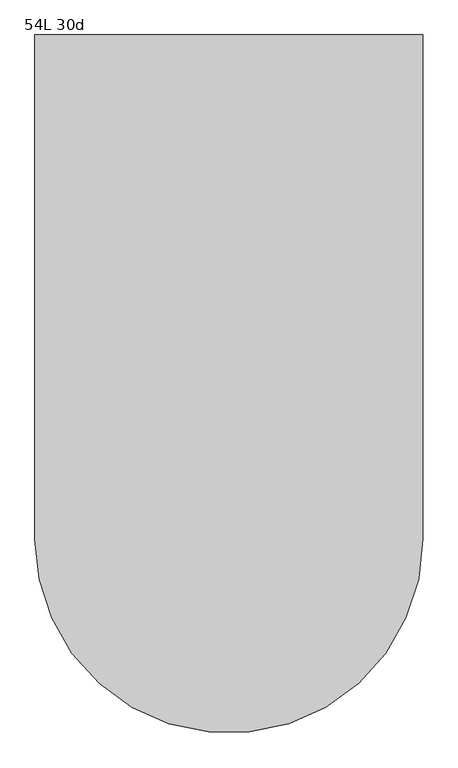
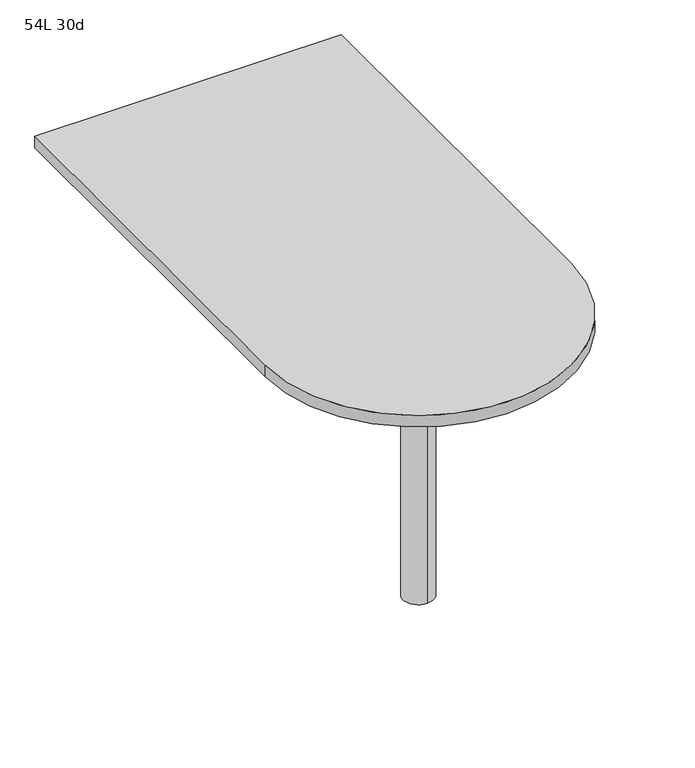
"""IFC4 building model written with IfcOpenShell, lengths in millimetres: furniture geometry, 54L 30d."""

from ifc_helpers import new_model, si_unit, point, frame, frame_2d, origin, place, context, project, spatial, polyline, circle_curve, trimmed, segment, composite_curve, outline, extrude, source, transform, mapped, element, save
from ifc_brep_helpers import plane_surface, cylinder_surface, advanced_brep


def furniture_54l_30d_69ec280b(model_context):
    return source(origin(), model_context, "Body", "SolidModel", [
        advanced_brep(
        [(0.0, -266.7, 706.4375), (0.0, -342.9, 706.4375), (0.0, -304.8, 706.4375), (0.0, -266.7, 0.0), (0.0, -342.9, 0.0), (0.0, -304.8, 0.0)],
        [
            (0, 1, circle_curve(frame((0.0, -304.8, 706.4375), z_axis=(0.0, 0.0, 1.0), x_axis=(0.0, -1.0, 0.0)), 38.1)),
            (1, 2),
            (2, 0),
            (1, 0, circle_curve(frame((0.0, -304.8, 706.4375), z_axis=(0.0, 0.0, 1.0), x_axis=(0.0, -1.0, 0.0)), 38.1)),
            (3, 4, circle_curve(frame((0.0, -304.8, 0.0), z_axis=(0.0, 0.0, 1.0), x_axis=(0.0, -1.0, 0.0)), 38.1)),
            (4, 1),
            (0, 3),
            (4, 3, circle_curve(frame((0.0, -304.8, 0.0), z_axis=(0.0, 0.0, 1.0), x_axis=(0.0, -1.0, 0.0)), 38.1)),
            (5, 4),
            (3, 5),
        ],
        [
            plane_surface(frame((0.0, -304.8, 706.4375), z_axis=(0.0, 0.0, 1.0), x_axis=(0.0, -1.0, 0.0))),
            cylinder_surface(frame((0.0, -304.8, 889.623257), z_axis=(0.0, 0.0, -1.0), x_axis=(0.0, -1.0, 0.0)), 38.1),
            plane_surface(frame((0.0, -304.8, 0.0), z_axis=(0.0, 0.0, -1.0), x_axis=(0.0, -1.0, 0.0))),
        ],
        [
            (0, [[1, 2, 3]]),
            (0, [[4, -3, -2]]),
            (1, [[5, 6, -1, 7]]),
            (1, [[8, -7, -4, -6]]),
            (2, [[9, -5, 10]]),
            (2, [[-10, -8, -9]]),
        ],
    ),
        extrude(outline(composite_curve([segment(polyline([(-381.0, -304.8), (-381.0, 685.8), (381.0, 685.8), (381.0, -304.8)]), True, "CONTINUOUS"), segment(trimmed(circle_curve(frame_2d((0.0, -304.8)), 381.0), [point((381.0, -304.8))], [point((-381.0, -304.8))], False, "CARTESIAN"), True, "CONTINUOUS")], self_intersect=False)), frame((0.0, 0.0, 706.4375), z_axis=(0.0, 0.0, 1.0), x_axis=(1.0, 0.0, 0.0)), (0.0, 0.0, 1.0), 30.1625),
    ])


if __name__ == "__main__":
    model = new_model("IFC4")
    model_context = context("Model", 3, world=origin())
    ifc_project = project(units=[si_unit("LENGTHUNIT", "METRE", prefix="MILLI")], contexts=[model_context])
    site = spatial("IfcSite", under=ifc_project)
    building = spatial("IfcBuilding", under=site)
    placement = place(None, origin())
    furniture_54l_30d_shape = furniture_54l_30d_69ec280b(model_context)
    element("IfcFurniture", 1, ObjectType="54L 30d", at=placement, inside=building, context=model_context, shape_type="MappedRepresentation", body=[
        mapped(furniture_54l_30d_shape, transform((0.0, 0.0, 0.0), x_axis=(1.0, 0.0, 0.0), y_axis=(0.0, 1.0, 0.0), z_axis=(0.0, 0.0, 1.0))),
    ])
    save(model, "model.ifc")
